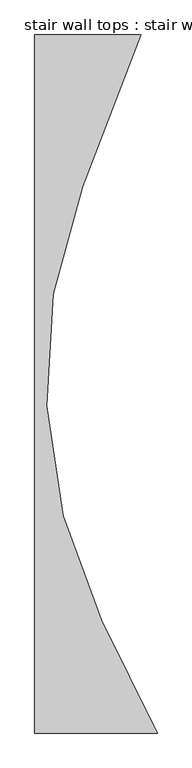
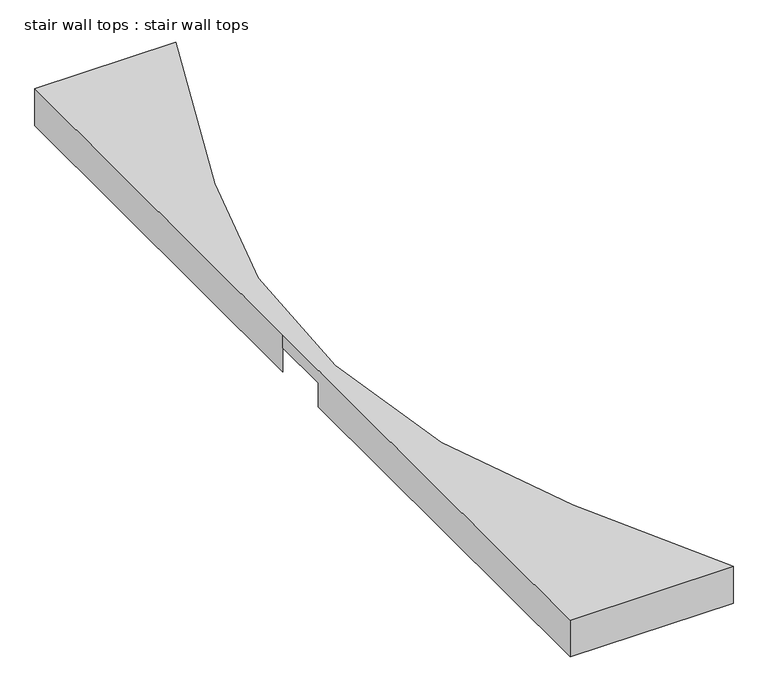
"""IFC4 building model written with IfcOpenShell, lengths in millimetres: proxy geometry, stair wall tops : stair wall tops."""

import ifcopenshell
import ifcopenshell.guid

model = None  # the IFC model being written
_history = None  # IfcOwnerHistory: only IFC2X3 demands one
_inside = {}  # id of a spatial element -> (the spatial element, [elements in it])
_under = {}  # id of a project, library or spatial element -> (it, [spatial elements below it])
_declared = {}  # id of a project -> (the project, [libraries it declares])
_typed = {}  # id of a type object -> (the type object, [elements of that type])
_made_of = {}  # id of a material, layer set ... -> (it, [elements and type objects made of it])


def new_model(schema):
    """Start an empty IFC model of exactly this schema.

    Asked for "IFC4X3", IfcOpenShell would pick the latest addendum, in which some entities
    have other attributes; the version numbers below select the first issue.
    IFC2X3 requires an IfcOwnerHistory on every rooted entity: one is made here for all.
    """
    global model, _history
    if schema == "IFC4X3":
        model = ifcopenshell.file(schema_version=(4, 3, 0, 0))
    else:
        model = ifcopenshell.file(schema=schema)
    _inside.clear()
    _under.clear()
    _declared.clear()
    _typed.clear()
    _made_of.clear()
    _history = None
    if model.schema == "IFC2X3":
        org = make("IfcOrganization", Name="unknown")
        user = make(
            "IfcPersonAndOrganization",
            ThePerson=make("IfcPerson", FamilyName="unknown"),
            TheOrganization=org,
        )
        app = make(
            "IfcApplication",
            ApplicationDeveloper=org,
            Version="unknown",
            ApplicationFullName="unknown",
            ApplicationIdentifier="unknown",
        )
        _history = make(
            "IfcOwnerHistory",
            OwningUser=user,
            OwningApplication=app,
            ChangeAction="ADDED",
            CreationDate=0,
        )
    return model


def make(cls, **values):
    """One entity of the class cls with the attributes given. An attribute that is None is left unset."""
    return model.create_entity(
        cls, **{name: value for name, value in values.items() if value is not None}
    )


def rooted(cls, **values):
    """An entity with a GlobalId (a new one), such as an element, a storey or a relation."""
    return make(cls, GlobalId=ifcopenshell.guid.new(), OwnerHistory=_history, **values)


def si_unit(unit_type, name, prefix=None):
    """IfcSIUnit, for example si_unit("LENGTHUNIT", "METRE", prefix="MILLI")."""
    return make("IfcSIUnit", UnitType=unit_type, Prefix=prefix, Name=name)


def assignment(units):
    """IfcUnitAssignment: the units of a project."""
    return None if units is None else make("IfcUnitAssignment", Units=units)


def point(xyz):
    """IfcCartesianPoint."""
    return None if xyz is None else make("IfcCartesianPoint", Coordinates=xyz)


def direction(xyz):
    """IfcDirection."""
    return None if xyz is None else make("IfcDirection", DirectionRatios=xyz)


def frame(location, z_axis=None, x_axis=None):
    """IfcAxis2Placement3D, a coordinate frame: its origin and axes. An axis left out is left unset."""
    return make(
        "IfcAxis2Placement3D",
        Location=point(location),
        Axis=direction(z_axis),
        RefDirection=direction(x_axis),
    )


def origin():
    """The frame at (0, 0, 0) with its axes left unset."""
    return frame((0.0, 0.0, 0.0))


def place(relative_to, where):
    """IfcLocalPlacement: puts the frame where relative to a parent placement (None: the world)."""
    return make(
        "IfcLocalPlacement", PlacementRelTo=relative_to, RelativePlacement=where
    )


def context(
    kind, dimensions, precision=None, world=None, true_north=None, identifier=None
):
    """IfcGeometricRepresentationContext, for example the 3D "Model" context."""
    return make(
        "IfcGeometricRepresentationContext",
        ContextIdentifier=identifier,
        ContextType=kind,
        CoordinateSpaceDimension=dimensions,
        Precision=precision,
        WorldCoordinateSystem=world,
        TrueNorth=true_north,
    )


def project(units=None, contexts=None):
    """IfcProject with its units and contexts."""
    return rooted(
        "IfcProject",
        Name="project",
        RepresentationContexts=contexts,
        UnitsInContext=assignment(units),
    )


def spatial(cls, under=None, at=None, **own):
    """A site, building, storey or space (cls), placed at a placement, below another one or the project."""
    s = rooted(cls, ObjectPlacement=at, **own)
    if under is not None:
        _under.setdefault(under.id(), (under, []))[1].append(s)
    return s


def polyline(points):
    """IfcPolyline through the points."""
    return make("IfcPolyline", Points=[point(p) for p in points])


def circle_curve(where, radius):
    """IfcCircle in the frame where."""
    return make("IfcCircle", Position=where, Radius=radius)


def shape(context_of_items, identifier, shape_type, items):
    """IfcShapeRepresentation: the items that make up one representation, for example the "Body"."""
    return make(
        "IfcShapeRepresentation",
        ContextOfItems=context_of_items,
        RepresentationIdentifier=identifier,
        RepresentationType=shape_type,
        Items=items,
    )


def source(mapping_origin, context_of_items, identifier, shape_type, items):
    """IfcRepresentationMap: a shape defined once, which mapped items show again and again."""
    return make(
        "IfcRepresentationMap",
        MappingOrigin=mapping_origin,
        MappedRepresentation=shape(context_of_items, identifier, shape_type, items),
    )


def transform(
    local_origin,
    x_axis=None,
    y_axis=None,
    z_axis=None,
    scale=None,
    scale2=None,
    scale3=None,
    uniform=True,
):
    """IfcCartesianTransformationOperator3D, or its non-uniform kind. x_axis, y_axis, z_axis: its Axis1, 2, 3."""
    if uniform:
        return make(
            "IfcCartesianTransformationOperator3D",
            Axis1=direction(x_axis),
            Axis2=direction(y_axis),
            LocalOrigin=point(local_origin),
            Scale=scale,
            Axis3=direction(z_axis),
        )
    return make(
        "IfcCartesianTransformationOperator3DnonUniform",
        Axis1=direction(x_axis),
        Axis2=direction(y_axis),
        LocalOrigin=point(local_origin),
        Scale=scale,
        Axis3=direction(z_axis),
        Scale2=scale2,
        Scale3=scale3,
    )


def mapped(mapping_source, mapping_target):
    """IfcMappedItem: shows the shape of a source again, moved by a transform."""
    return make(
        "IfcMappedItem", MappingSource=mapping_source, MappingTarget=mapping_target
    )


def made_of(thing, what):
    """Note that an element or type object is made of a material, layer set ...; save() writes the relation."""
    if what is not None:
        _made_of.setdefault(what.id(), (what, []))[1].append(thing)
    return thing


def element(
    cls,
    number,
    at=None,
    inside=None,
    cuts=None,
    type_object=None,
    material=None,
    context=None,
    identifier="Body",
    shape_type=None,
    held_by="IfcProductDefinitionShape",
    body=None,
    shapes=None,
    **own,
):
    """One element of the class cls, such as IfcWall. Its Tag is "e" and its number.

    at: its placement. inside: the storey or other place that contains it. cuts: it is an
    opening in that element (IfcRelVoidsElement). A single representation is given by context,
    identifier, shape_type and body (its items); several are given by shapes. held_by: the class
    of the entity that holds the representations. save() writes the other relations.
    """
    e = rooted(cls, Tag="e%d" % number, ObjectPlacement=at, **own)
    if body is not None:
        shapes = [shape(context, identifier, shape_type, body)]
    if shapes is not None:
        e.Representation = make(held_by, Representations=shapes)
    if inside is not None:
        _inside.setdefault(inside.id(), (inside, []))[1].append(e)
    if cuts is not None:
        rooted(
            "IfcRelVoidsElement", RelatingBuildingElement=cuts, RelatedOpeningElement=e
        )
    if type_object is not None:
        _typed.setdefault(type_object.id(), (type_object, []))[1].append(e)
    return made_of(e, material)


def aggregate(whole, parts):
    """IfcRelAggregates: a whole, such as a stair, and the parts it consists of."""
    return rooted("IfcRelAggregates", RelatingObject=whole, RelatedObjects=parts)


def save(model, path):
    """Write the relations noted so far, then the file.

    IfcRelAggregates (storeys below a building ...), IfcRelContainedInSpatialStructure (elements
    in a storey), IfcRelDefinesByType, IfcRelAssociatesMaterial and IfcRelDeclares: one each for
    every whole, place, type object, material and project.
    """
    for whole, parts in _under.values():
        aggregate(whole, parts)
    for where, things in _inside.values():
        rooted(
            "IfcRelContainedInSpatialStructure",
            RelatedElements=things,
            RelatingStructure=where,
        )
    for kind, things in _typed.values():
        rooted("IfcRelDefinesByType", RelatedObjects=things, RelatingType=kind)
    for what, things in _made_of.values():
        rooted("IfcRelAssociatesMaterial", RelatedObjects=things, RelatingMaterial=what)
    for by, libraries in _declared.values():
        rooted("IfcRelDeclares", RelatingContext=by, RelatedDefinitions=libraries)
    model.write(path)


def plane_surface(at):
    """IfcPlane: the flat surface through the origin of the frame at, square to its z axis."""
    return make("IfcPlane", Position=at)


def revolved_surface(curve, axis_point, axis_direction):
    """IfcSurfaceOfRevolution: the curve turned about the line through axis_point along axis_direction."""
    return make(
        "IfcSurfaceOfRevolution",
        SweptCurve=make("IfcArbitraryOpenProfileDef", ProfileType="CURVE", Curve=curve),
        AxisPosition=make("IfcAxis1Placement", Location=point(axis_point), Axis=direction(axis_direction)),
    )


def advanced_brep(points, edges, surfaces, faces):
    """IfcAdvancedBrep: a solid bounded by faces that lie on surfaces and meet in shared edges.

    An edge is (start, end): straight between two places in points (the first is 0);
    or (start, end, curve); or (start, end, curve, False) where it runs against its curve.
    A face is (place in surfaces, loops), or (place, loops, False) where it looks against
    its surface's normal. A loop lists edges by number (the first is 1), with a minus sign
    where the edge is run from its end to its start. The first loop is the outer one.
    """
    corners = [point(p) for p in points]
    vertices = [make("IfcVertexPoint", VertexGeometry=c) for c in corners]
    made = []
    for start, end, *more in edges:
        made.append(
            make(
                "IfcEdgeCurve",
                EdgeStart=vertices[start],
                EdgeEnd=vertices[end],
                EdgeGeometry=more[0] if more else make("IfcPolyline", Points=[corners[start], corners[end]]),
                SameSense=more[1] if len(more) > 1 else True,
            )
        )
    hull = []
    for where, loops, *sense in faces:
        bounds = []
        for j, loop in enumerate(loops):
            ring = [make("IfcOrientedEdge", EdgeElement=made[abs(k) - 1], Orientation=k > 0) for k in loop]
            bounds.append(
                make(
                    "IfcFaceOuterBound" if j == 0 else "IfcFaceBound",
                    Bound=make("IfcEdgeLoop", EdgeList=ring),
                    Orientation=True,
                )
            )
        hull.append(make("IfcAdvancedFace", Bounds=bounds, FaceSurface=surfaces[where], SameSense=sense[0] if sense else True))
    return make("IfcAdvancedBrep", Outer=make("IfcClosedShell", CfsFaces=hull))


def stair_wall_tops_stair_wall_tops_7dc6c06f(model_context):
    return source(origin(), model_context, "Body", "AdvancedBrep", [
        advanced_brep(
        [(-11242.7823603, -1852.1105174, 3117.85), (-11242.7823603, -4341.5748715, 3117.85), (-10428.1730674, -4341.5748715, 3117.85), (-10797.6075622, -3590.6344955, 3117.85), (-10926.3134917, -713.028496, 3117.85), (-10537.0726927, 297.1001285, 3117.85), (-11242.7823603, 297.1001285, 3117.85), (-11242.7823603, -1852.1105174, 2923.4346951), (-11242.7823603, 297.1001285, 2923.4346951), (-10622.1368202, 297.1001285, 2923.4346951), (-11000.3798556, -684.4879221, 2923.4346951), (-11242.7823603, -1852.1105174, 3048.0), (-11242.7823603, -2157.4392255, 3048.0), (-11242.7823603, -2157.4392255, 2923.4346951), (-11242.7823603, -4341.5748715, 2923.4346951), (-10428.1730674, -4341.5748715, 2923.4346951), (-10537.0726927, 297.1001285, 3048.0), (-10622.1368202, 297.1001285, 3048.0), (-10451.0372671, -4295.0993774, 2923.4346951), (-10451.0372671, -4295.0993774, 3048.0), (-10797.6075622, -3590.6344955, 3048.0), (-10926.3134917, -713.028496, 3048.0), (-10868.8302246, -3625.6733737, 3048.0), (-10539.4977431, -4295.0993774, 3048.0), (-10539.4977431, -4295.0993774, 2923.4346951), (-10868.8302246, -3625.6733737, 2923.4346951), (-11000.3798556, -684.4879221, 3048.0)],
        [
            (0, 1),
            (1, 2),
            (2, 3),
            (3, 4, circle_curve(frame((-7574.0698603, -2004.7748715, 3117.85), z_axis=(0.0, 0.0, -1.0), x_axis=(1.0, 0.0, 0.0)), 3592.5125)),
            (4, 5),
            (5, 6),
            (6, 0),
            (7, 8),
            (8, 9),
            (9, 10),
            (10, 7, circle_curve(frame((-7574.0698603, -2004.7748715, 2923.4346951), z_axis=(0.0, 0.0, 1.0), x_axis=(1.0, 0.0, 0.0)), 3671.8875)),
            (0, 11),
            (11, 12),
            (12, 13),
            (13, 14),
            (14, 1),
            (14, 15),
            (15, 2),
            (5, 16),
            (16, 17),
            (17, 9),
            (8, 6),
            (7, 11),
            (15, 18),
            (18, 19),
            (19, 20),
            (20, 3),
            (20, 21, circle_curve(frame((-7574.0698603, -2004.7748715, 3048.0), z_axis=(0.0, 0.0, -1.0), x_axis=(1.0, 0.0, 0.0)), 3592.5125)),
            (21, 4),
            (21, 16),
            (22, 23),
            (23, 24),
            (24, 25),
            (25, 22),
            (22, 12, circle_curve(frame((-7574.0698603, -2004.7748715, 3048.0), z_axis=(0.0, 0.0, -1.0), x_axis=(1.0, 0.0, 0.0)), 3671.8875)),
            (11, 26, circle_curve(frame((-7574.0698603, -2004.7748715, 3048.0), z_axis=(0.0, 0.0, -1.0), x_axis=(1.0, 0.0, 0.0)), 3671.8875)),
            (26, 17),
            (19, 23),
            (18, 24),
            (10, 26),
            (13, 25, circle_curve(frame((-7574.0698603, -2004.7748715, 2923.4346951), z_axis=(0.0, 0.0, 1.0), x_axis=(1.0, 0.0, 0.0)), 3671.8875)),
        ],
        [
            plane_surface(frame((-10457.6899145, -4281.5767052, 3117.85), z_axis=(0.0, 0.0, 1.0000000000000002), x_axis=(-0.44143468507623235, 0.8972933850261283, 0.0))),
            plane_surface(frame((-10457.6899145, -4281.5767052, 2923.4346951), z_axis=(0.0, 0.0, -1.0000000000000002), x_axis=(0.44143468507623235, -0.8972933850261283, 0.0))),
            plane_surface(frame((-11242.7823603, -1852.1105174, 3117.85), z_axis=(-1.0, 0.0, 0.0), x_axis=(0.0, 0.0, -1.0))),
            plane_surface(frame((-11242.7823603, -4341.5748715, 3117.85), z_axis=(0.0, -1.0, 0.0), x_axis=(0.0, 0.0, -1.0))),
            plane_surface(frame((-10537.0726927, 297.1001285, 3117.85), z_axis=(0.0, 1.0, 0.0), x_axis=(0.0, 0.0, -1.0))),
            plane_surface(frame((-11242.7823603, 297.1001285, 3117.85), z_axis=(-1.0, 0.0, 0.0), x_axis=(0.0, 0.0, -1.0))),
            plane_surface(frame((-10428.1730674, -4341.5748715, 3117.85), z_axis=(0.8972933850261283, 0.44143468507623235, 0.0), x_axis=(0.0, 0.0, -1.0))),
            revolved_surface(polyline([(-3981.5573603000003, -2004.7748715, 3048.0), (-3981.5573603000003, -2004.7748715, 3117.85)]), (-7574.0698603, -2004.7748715, 2923.4346951), (0.0, 0.0, -1.0)),
            plane_surface(frame((-10926.3134917, -713.028496, 3117.85), z_axis=(0.9331195455471384, -0.3595662855690198, 0.0), x_axis=(0.0, 0.0, -1.0))),
            plane_surface(frame((-10868.8302246, -3625.6733737, 0.0), z_axis=(0.8972933850261287, 0.4414346850762316, 0.0), x_axis=(0.4414346850762316, -0.8972933850261287, 0.0))),
            plane_surface(frame((-10488.7053521, -4398.3438165, 3048.0), z_axis=(0.0, 0.0, -1.0000000000000002), x_axis=(0.8972933850261298, 0.44143468507622946, 0.0))),
            plane_surface(frame((-11209.4448603, -4295.0993774, 0.0), z_axis=(0.0, 1.0, 0.0), x_axis=(-1.0, 0.0, 0.0))),
            revolved_surface(polyline([(-3902.1823603000003, -2004.7748715, 3048.0), (-3902.1823603000003, -2004.7748715, 2923.4346951)]), (-7574.0698603, -2004.7748715, 0.0), (0.0, 0.0, 1.0)),
            plane_surface(frame((-11000.3798556, -684.4879221, 0.0), z_axis=(0.9331195455471383, -0.35956628556902037, 0.0), x_axis=(-0.35956628556902037, -0.9331195455471383, 0.0))),
        ],
        [
            (0, [[1, 2, 3, 4, 5, 6, 7]]),
            (1, [[8, 9, 10, 11]]),
            (2, [[-1, 12, 13, 14, 15, 16]]),
            (3, [[-2, -16, 17, 18]]),
            (4, [[-6, 19, 20, 21, -9, 22]]),
            (5, [[-7, -22, -8, 23, -12]]),
            (6, [[-3, -18, 24, 25, 26, 27]]),
            (7, [[-4, -27, 28, 29]]),
            (8, [[-5, -29, 30, -19]]),
            (9, [[31, 32, 33, 34]]),
            (10, [[-31, 35, -13, 36, 37, -20, -30, -28, -26, 38]]),
            (11, [[-38, -25, 39, -32]]),
            (12, [[-36, -23, -11, 40]]),
            (1, [[-17, -15, 41, -33, -39, -24]]),
            (12, [[-35, -34, -41, -14]]),
            (13, [[-37, -40, -10, -21]]),
        ],
    ),
    ])


if __name__ == "__main__":
    model = new_model("IFC4")
    model_context = context("Model", 3, world=origin())
    ifc_project = project(units=[si_unit("LENGTHUNIT", "METRE", prefix="MILLI")], contexts=[model_context])
    site = spatial("IfcSite", under=ifc_project)
    building = spatial("IfcBuilding", under=site)
    placement = place(None, origin())
    stair_wall_tops_stair_wall_tops_shape = stair_wall_tops_stair_wall_tops_7dc6c06f(model_context)
    element("IfcBuildingElementProxy", 1, Name="stair wall tops : stair wall tops", ObjectType="stair wall tops : stair wall tops", at=placement, inside=building, context=model_context, shape_type="MappedRepresentation", body=[
        mapped(stair_wall_tops_stair_wall_tops_shape, transform((0.0, 0.0, 0.0), x_axis=(1.0, 0.0, 0.0), y_axis=(0.0, 1.0, 0.0), z_axis=(0.0, 0.0, 1.0))),
    ])
    save(model, "model.ifc")
